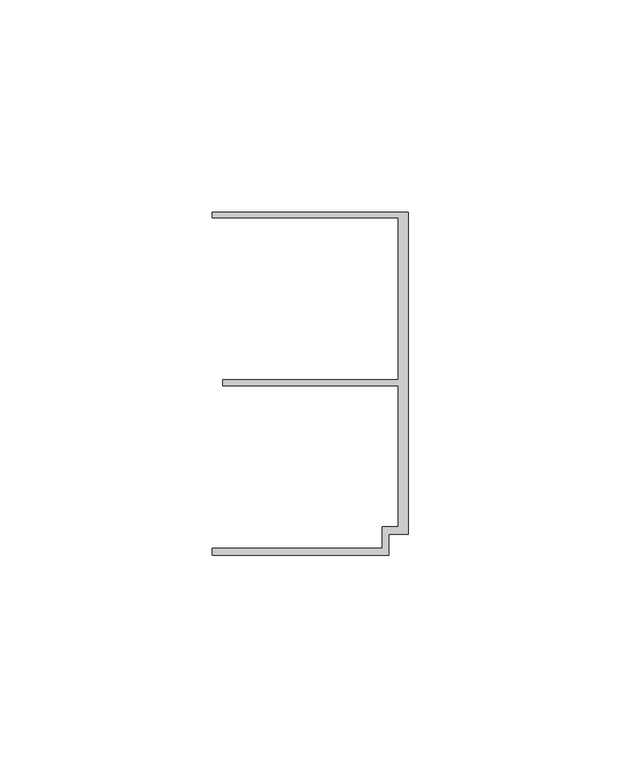
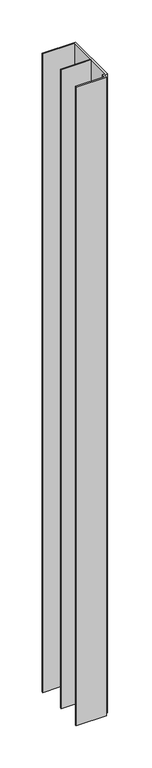
"""IFC4 building model written with IfcOpenShell, lengths in millimetres: member geometry."""

import ifcopenshell
import ifcopenshell.guid

model = None  # the IFC model being written
_history = None  # IfcOwnerHistory: only IFC2X3 demands one
_inside = {}  # id of a spatial element -> (the spatial element, [elements in it])
_under = {}  # id of a project, library or spatial element -> (it, [spatial elements below it])
_declared = {}  # id of a project -> (the project, [libraries it declares])
_typed = {}  # id of a type object -> (the type object, [elements of that type])
_made_of = {}  # id of a material, layer set ... -> (it, [elements and type objects made of it])


def new_model(schema):
    """Start an empty IFC model of exactly this schema.

    Asked for "IFC4X3", IfcOpenShell would pick the latest addendum, in which some entities
    have other attributes; the version numbers below select the first issue.
    IFC2X3 requires an IfcOwnerHistory on every rooted entity: one is made here for all.
    """
    global model, _history
    if schema == "IFC4X3":
        model = ifcopenshell.file(schema_version=(4, 3, 0, 0))
    else:
        model = ifcopenshell.file(schema=schema)
    _inside.clear()
    _under.clear()
    _declared.clear()
    _typed.clear()
    _made_of.clear()
    _history = None
    if model.schema == "IFC2X3":
        org = make("IfcOrganization", Name="unknown")
        user = make(
            "IfcPersonAndOrganization",
            ThePerson=make("IfcPerson", FamilyName="unknown"),
            TheOrganization=org,
        )
        app = make(
            "IfcApplication",
            ApplicationDeveloper=org,
            Version="unknown",
            ApplicationFullName="unknown",
            ApplicationIdentifier="unknown",
        )
        _history = make(
            "IfcOwnerHistory",
            OwningUser=user,
            OwningApplication=app,
            ChangeAction="ADDED",
            CreationDate=0,
        )
    return model


def make(cls, **values):
    """One entity of the class cls with the attributes given. An attribute that is None is left unset."""
    return model.create_entity(
        cls, **{name: value for name, value in values.items() if value is not None}
    )


def rooted(cls, **values):
    """An entity with a GlobalId (a new one), such as an element, a storey or a relation."""
    return make(cls, GlobalId=ifcopenshell.guid.new(), OwnerHistory=_history, **values)


def si_unit(unit_type, name, prefix=None):
    """IfcSIUnit, for example si_unit("LENGTHUNIT", "METRE", prefix="MILLI")."""
    return make("IfcSIUnit", UnitType=unit_type, Prefix=prefix, Name=name)


def assignment(units):
    """IfcUnitAssignment: the units of a project."""
    return None if units is None else make("IfcUnitAssignment", Units=units)


def point(xyz):
    """IfcCartesianPoint."""
    return None if xyz is None else make("IfcCartesianPoint", Coordinates=xyz)


def direction(xyz):
    """IfcDirection."""
    return None if xyz is None else make("IfcDirection", DirectionRatios=xyz)


def frame(location, z_axis=None, x_axis=None):
    """IfcAxis2Placement3D, a coordinate frame: its origin and axes. An axis left out is left unset."""
    return make(
        "IfcAxis2Placement3D",
        Location=point(location),
        Axis=direction(z_axis),
        RefDirection=direction(x_axis),
    )


def origin():
    """The frame at (0, 0, 0) with its axes left unset."""
    return frame((0.0, 0.0, 0.0))


def place(relative_to, where):
    """IfcLocalPlacement: puts the frame where relative to a parent placement (None: the world)."""
    return make(
        "IfcLocalPlacement", PlacementRelTo=relative_to, RelativePlacement=where
    )


def context(
    kind, dimensions, precision=None, world=None, true_north=None, identifier=None
):
    """IfcGeometricRepresentationContext, for example the 3D "Model" context."""
    return make(
        "IfcGeometricRepresentationContext",
        ContextIdentifier=identifier,
        ContextType=kind,
        CoordinateSpaceDimension=dimensions,
        Precision=precision,
        WorldCoordinateSystem=world,
        TrueNorth=true_north,
    )


def project(units=None, contexts=None):
    """IfcProject with its units and contexts."""
    return rooted(
        "IfcProject",
        Name="project",
        RepresentationContexts=contexts,
        UnitsInContext=assignment(units),
    )


def spatial(cls, under=None, at=None, **own):
    """A site, building, storey or space (cls), placed at a placement, below another one or the project."""
    s = rooted(cls, ObjectPlacement=at, **own)
    if under is not None:
        _under.setdefault(under.id(), (under, []))[1].append(s)
    return s


def polyline(points):
    """IfcPolyline through the points."""
    return make("IfcPolyline", Points=[point(p) for p in points])


def outline(outer, holes=None, kind="AREA"):
    """IfcArbitraryClosedProfileDef: a profile drawn as a closed curve; with holes, ...WithVoids."""
    if holes is None:
        return make("IfcArbitraryClosedProfileDef", ProfileType=kind, OuterCurve=outer)
    return make(
        "IfcArbitraryProfileDefWithVoids",
        ProfileType=kind,
        OuterCurve=outer,
        InnerCurves=holes,
    )


def extrude(swept, where, along, depth):
    """IfcExtrudedAreaSolid: the profile swept, set in the frame where, extruded along a direction by depth."""
    return make(
        "IfcExtrudedAreaSolid",
        SweptArea=swept,
        Position=where,
        ExtrudedDirection=direction(along),
        Depth=depth,
    )


def shape(context_of_items, identifier, shape_type, items):
    """IfcShapeRepresentation: the items that make up one representation, for example the "Body"."""
    return make(
        "IfcShapeRepresentation",
        ContextOfItems=context_of_items,
        RepresentationIdentifier=identifier,
        RepresentationType=shape_type,
        Items=items,
    )


def source(mapping_origin, context_of_items, identifier, shape_type, items):
    """IfcRepresentationMap: a shape defined once, which mapped items show again and again."""
    return make(
        "IfcRepresentationMap",
        MappingOrigin=mapping_origin,
        MappedRepresentation=shape(context_of_items, identifier, shape_type, items),
    )


def transform(
    local_origin,
    x_axis=None,
    y_axis=None,
    z_axis=None,
    scale=None,
    scale2=None,
    scale3=None,
    uniform=True,
):
    """IfcCartesianTransformationOperator3D, or its non-uniform kind. x_axis, y_axis, z_axis: its Axis1, 2, 3."""
    if uniform:
        return make(
            "IfcCartesianTransformationOperator3D",
            Axis1=direction(x_axis),
            Axis2=direction(y_axis),
            LocalOrigin=point(local_origin),
            Scale=scale,
            Axis3=direction(z_axis),
        )
    return make(
        "IfcCartesianTransformationOperator3DnonUniform",
        Axis1=direction(x_axis),
        Axis2=direction(y_axis),
        LocalOrigin=point(local_origin),
        Scale=scale,
        Axis3=direction(z_axis),
        Scale2=scale2,
        Scale3=scale3,
    )


def mapped(mapping_source, mapping_target):
    """IfcMappedItem: shows the shape of a source again, moved by a transform."""
    return make(
        "IfcMappedItem", MappingSource=mapping_source, MappingTarget=mapping_target
    )


def made_of(thing, what):
    """Note that an element or type object is made of a material, layer set ...; save() writes the relation."""
    if what is not None:
        _made_of.setdefault(what.id(), (what, []))[1].append(thing)
    return thing


def element(
    cls,
    number,
    at=None,
    inside=None,
    cuts=None,
    type_object=None,
    material=None,
    context=None,
    identifier="Body",
    shape_type=None,
    held_by="IfcProductDefinitionShape",
    body=None,
    shapes=None,
    **own,
):
    """One element of the class cls, such as IfcWall. Its Tag is "e" and its number.

    at: its placement. inside: the storey or other place that contains it. cuts: it is an
    opening in that element (IfcRelVoidsElement). A single representation is given by context,
    identifier, shape_type and body (its items); several are given by shapes. held_by: the class
    of the entity that holds the representations. save() writes the other relations.
    """
    e = rooted(cls, Tag="e%d" % number, ObjectPlacement=at, **own)
    if body is not None:
        shapes = [shape(context, identifier, shape_type, body)]
    if shapes is not None:
        e.Representation = make(held_by, Representations=shapes)
    if inside is not None:
        _inside.setdefault(inside.id(), (inside, []))[1].append(e)
    if cuts is not None:
        rooted(
            "IfcRelVoidsElement", RelatingBuildingElement=cuts, RelatedOpeningElement=e
        )
    if type_object is not None:
        _typed.setdefault(type_object.id(), (type_object, []))[1].append(e)
    return made_of(e, material)


def aggregate(whole, parts):
    """IfcRelAggregates: a whole, such as a stair, and the parts it consists of."""
    return rooted("IfcRelAggregates", RelatingObject=whole, RelatedObjects=parts)


def save(model, path):
    """Write the relations noted so far, then the file.

    IfcRelAggregates (storeys below a building ...), IfcRelContainedInSpatialStructure (elements
    in a storey), IfcRelDefinesByType, IfcRelAssociatesMaterial and IfcRelDeclares: one each for
    every whole, place, type object, material and project.
    """
    for whole, parts in _under.values():
        aggregate(whole, parts)
    for where, things in _inside.values():
        rooted(
            "IfcRelContainedInSpatialStructure",
            RelatedElements=things,
            RelatingStructure=where,
        )
    for kind, things in _typed.values():
        rooted("IfcRelDefinesByType", RelatedObjects=things, RelatingType=kind)
    for what, things in _made_of.values():
        rooted("IfcRelAssociatesMaterial", RelatedObjects=things, RelatingMaterial=what)
    for by, libraries in _declared.values():
        rooted("IfcRelDeclares", RelatingContext=by, RelatedDefinitions=libraries)
    model.write(path)


def member_e28085b5(model_context):
    return source(origin(), model_context, "Body", "SweptSolid", [
        extrude(outline(polyline([(-6.2, -33.95), (-2.4, -33.95), (-2.4, -0.75), (-43.8, -0.75), (-43.8, 0.75), (-2.4, 0.75), (-2.4, 38.95), (-46.3, 38.95), (-46.3, 40.25), (0.0, 40.25), (0.0, -35.75), (-4.6999992, -35.75), (-4.6999992, -40.65), (-46.3, -40.65), (-46.3, -38.95), (-6.2, -38.95), (-6.2, -33.95)])), frame((0.0, 0.0, -925.0), z_axis=(0.0, 0.0, 1.0), x_axis=(1.0, 0.0, 0.0)), (0.0, 0.0, 1.0), 925.0),
    ])


if __name__ == "__main__":
    model = new_model("IFC4")
    model_context = context("Model", 3, world=origin())
    ifc_project = project(units=[si_unit("LENGTHUNIT", "METRE", prefix="MILLI")], contexts=[model_context])
    site = spatial("IfcSite", under=ifc_project)
    building = spatial("IfcBuilding", under=site)
    placement = place(None, origin())
    member_shape = member_e28085b5(model_context)
    element("IfcMember", 1, at=placement, inside=building, context=model_context, shape_type="MappedRepresentation", body=[
        mapped(member_shape, transform((0.0, 0.0, 0.0), x_axis=(1.0, 0.0, 0.0), y_axis=(0.0, 1.0, 0.0), z_axis=(0.0, 0.0, 1.0))),
    ])
    save(model, "model.ifc")
